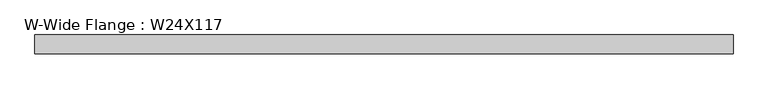
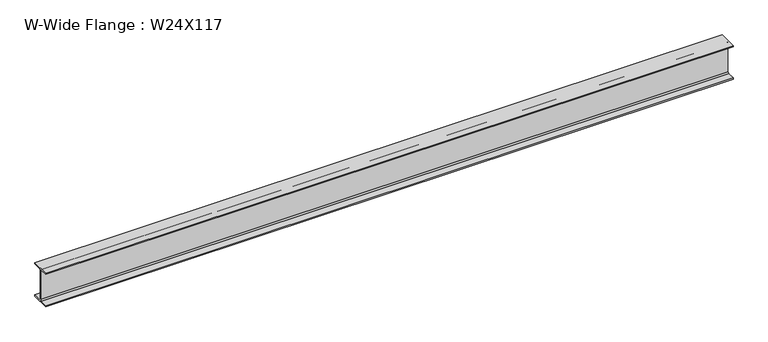
"""IFC4 building model written with IfcOpenShell, lengths in millimetres: beam geometry, W-Wide Flange : W24X117."""

from ifc_helpers import new_model, si_unit, point, frame, frame_2d, origin, place, context, project, spatial, polyline, circle_curve, trimmed, segment, composite_curve, outline, extrude, source, transform, mapped, element, save


def w_wide_flange_w24x117_2fe8dccc(model_context):
    return source(origin(), model_context, "Body", "SweptSolid", [
        extrude(outline(composite_curve([segment(polyline([(162.56, -287.02), (162.56, -308.61), (-162.56, -308.61), (-162.56, -287.02), (-29.845, -287.02)]), True, "CONTINUOUS"), segment(trimmed(circle_curve(frame_2d((-29.845, -264.16)), 22.86), [point((-29.845, -287.02))], [point((-6.985, -264.16))], True, "CARTESIAN"), True, "CONTINUOUS"), segment(polyline([(-6.985, -264.16), (-6.985, 264.16)]), True, "CONTINUOUS"), segment(trimmed(circle_curve(frame_2d((-29.845, 264.16)), 22.86), [point((-6.985, 264.16))], [point((-29.845, 287.02))], True, "CARTESIAN"), True, "CONTINUOUS"), segment(polyline([(-29.845, 287.02), (-162.56, 287.02), (-162.56, 308.61), (162.56, 308.61), (162.56, 287.02), (29.845, 287.02)]), True, "CONTINUOUS"), segment(trimmed(circle_curve(frame_2d((29.845, 264.16)), 22.86), [point((29.845, 287.02))], [point((6.985, 264.16))], True, "CARTESIAN"), True, "CONTINUOUS"), segment(polyline([(6.985, 264.16), (6.985, -264.16)]), True, "CONTINUOUS"), segment(trimmed(circle_curve(frame_2d((29.845, -264.16)), 22.86), [point((6.985, -264.16))], [point((29.845, -287.02))], True, "CARTESIAN"), True, "CONTINUOUS"), segment(polyline([(29.845, -287.02), (162.56, -287.02)]), True, "CONTINUOUS")], self_intersect=False)), frame((-5950.2258613, 0.0, 0.0), z_axis=(1.0, 0.0, 0.0), x_axis=(0.0, 1.0, 0.0)), (0.0, 0.0, 1.0), 11964.5244601),
    ])


if __name__ == "__main__":
    model = new_model("IFC4")
    model_context = context("Model", 3, world=origin())
    ifc_project = project(units=[si_unit("LENGTHUNIT", "METRE", prefix="MILLI")], contexts=[model_context])
    site = spatial("IfcSite", under=ifc_project)
    building = spatial("IfcBuilding", under=site)
    placement = place(None, origin())
    w_wide_flange_w24x117_shape = w_wide_flange_w24x117_2fe8dccc(model_context)
    element("IfcBeam", 1, ObjectType="W-Wide Flange : W24X117", at=placement, inside=building, context=model_context, shape_type="MappedRepresentation", body=[
        mapped(w_wide_flange_w24x117_shape, transform((0.0, 0.0, 0.0), x_axis=(1.0, 0.0, 0.0), y_axis=(0.0, 1.0, 0.0), z_axis=(0.0, 0.0, 1.0))),
    ])
    save(model, "model.ifc")
